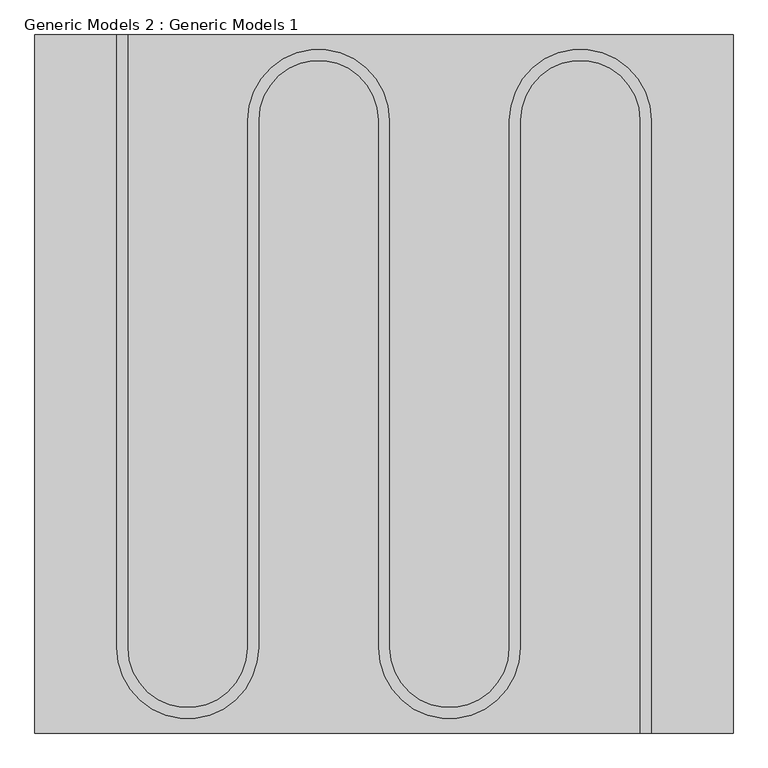
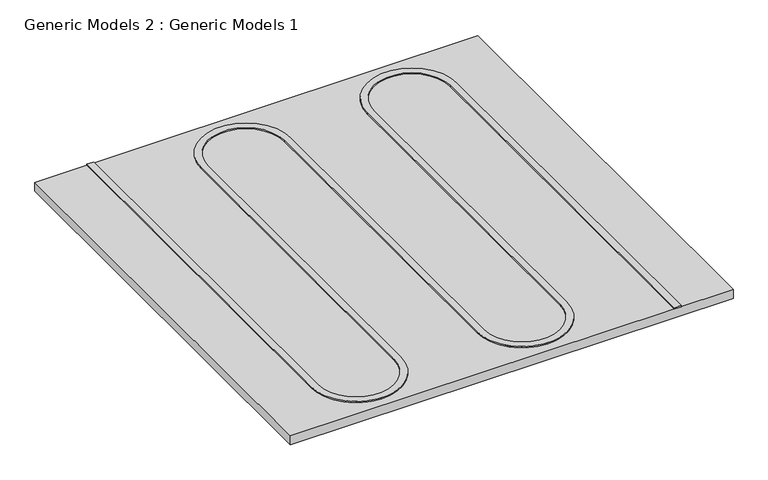
"""IFC4 building model written with IfcOpenShell, lengths in millimetres: proxy geometry, Generic Models 2 : Generic Models 1."""

from ifc_helpers import new_model, si_unit, point, frame, frame_2d, origin, origin_with_axes, place, context, project, spatial, polyline, circle_curve, trimmed, segment, composite_curve, outline, extrude, source, transform, mapped, element, save


def generic_models_2_generic_models_1_9f238445(model_context):
    return source(origin(), model_context, "Body", "SweptSolid", [
        extrude(outline(composite_curve([segment(polyline([(643.7698945, 2742.3479986), (643.7698945, 3812.3229986), (662.8198945, 3812.3229986), (662.8198945, 2742.3479986)]), True, "CONTINUOUS"), segment(trimmed(circle_curve(frame_2d((767.5948945, 2742.3479986)), 104.775), [point((662.8198945, 2742.3479986))], [point((872.3698945, 2742.3479986))], True, "CARTESIAN"), True, "CONTINUOUS"), segment(polyline([(872.3698945, 2742.3479986), (872.3698945, 3663.0979986)]), True, "CONTINUOUS"), segment(trimmed(circle_curve(frame_2d((996.1948945, 3663.0979986)), 123.825), [point((872.3698945, 3663.0979986))], [point((1120.0198945, 3663.0979986))], False, "CARTESIAN"), True, "CONTINUOUS"), segment(polyline([(1120.0198945, 3663.0979986), (1120.0198945, 2742.3479986)]), True, "CONTINUOUS"), segment(trimmed(circle_curve(frame_2d((1224.7948945, 2742.3479986)), 104.775), [point((1120.0198945, 2742.3479986))], [point((1329.5698945, 2742.3479986))], True, "CARTESIAN"), True, "CONTINUOUS"), segment(polyline([(1329.5698945, 2742.3479986), (1329.5698945, 3663.0979986)]), True, "CONTINUOUS"), segment(trimmed(circle_curve(frame_2d((1453.3948945, 3663.0979986)), 123.825), [point((1329.5698945, 3663.0979986))], [point((1577.2198945, 3663.0979986))], False, "CARTESIAN"), True, "CONTINUOUS"), segment(polyline([(1577.2198945, 3663.0979986), (1577.2198945, 2593.1229986), (1558.1698945, 2593.1229986), (1558.1698945, 3663.0979986)]), True, "CONTINUOUS"), segment(trimmed(circle_curve(frame_2d((1453.3948945, 3663.0979986)), 104.775), [point((1558.1698945, 3663.0979986))], [point((1348.6198945, 3663.0979986))], True, "CARTESIAN"), True, "CONTINUOUS"), segment(polyline([(1348.6198945, 3663.0979986), (1348.6198945, 2742.3479986)]), True, "CONTINUOUS"), segment(trimmed(circle_curve(frame_2d((1224.7948945, 2742.3479986)), 123.825), [point((1348.6198945, 2742.3479986))], [point((1100.9698945, 2742.3479986))], False, "CARTESIAN"), True, "CONTINUOUS"), segment(polyline([(1100.9698945, 2742.3479986), (1100.9698945, 3663.0979986)]), True, "CONTINUOUS"), segment(trimmed(circle_curve(frame_2d((996.1948945, 3663.0979986)), 104.775), [point((1100.9698945, 3663.0979986))], [point((891.4198945, 3663.0979986))], True, "CARTESIAN"), True, "CONTINUOUS"), segment(polyline([(891.4198945, 3663.0979986), (891.4198945, 2742.3479986)]), True, "CONTINUOUS"), segment(trimmed(circle_curve(frame_2d((767.5948945, 2742.3479986)), 123.825), [point((891.4198945, 2742.3479986))], [point((643.7698945, 2742.3479986))], False, "CARTESIAN"), True, "CONTINUOUS")], self_intersect=False)), frame((0.0, 0.0, 25.4), z_axis=(0.0, 0.0, 1.0), x_axis=(1.0, 0.0, 0.0)), (0.0, 0.0, 1.0), 3.175),
        extrude(outline(polyline([(500.8948945, 3812.3229986), (1720.0948945, 3812.3229986), (1720.0948945, 2593.1229986), (500.8948945, 2593.1229986), (500.8948945, 3812.3229986)])), origin_with_axes(), (0.0, 0.0, 1.0), 25.4),
    ])


if __name__ == "__main__":
    model = new_model("IFC4")
    model_context = context("Model", 3, world=origin())
    ifc_project = project(units=[si_unit("LENGTHUNIT", "METRE", prefix="MILLI")], contexts=[model_context])
    site = spatial("IfcSite", under=ifc_project)
    building = spatial("IfcBuilding", under=site)
    placement = place(None, origin())
    generic_models_2_generic_models_1_shape = generic_models_2_generic_models_1_9f238445(model_context)
    element("IfcBuildingElementProxy", 1, Name="Generic Models 2 : Generic Models 1", ObjectType="Generic Models 2 : Generic Models 1", at=placement, inside=building, context=model_context, shape_type="MappedRepresentation", body=[
        mapped(generic_models_2_generic_models_1_shape, transform((0.0, 0.0, 0.0), x_axis=(1.0, 0.0, 0.0), y_axis=(0.0, 1.0, 0.0), z_axis=(0.0, 0.0, 1.0))),
    ])
    save(model, "model.ifc")
